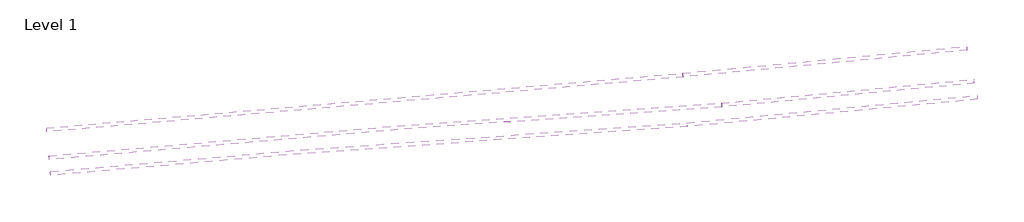
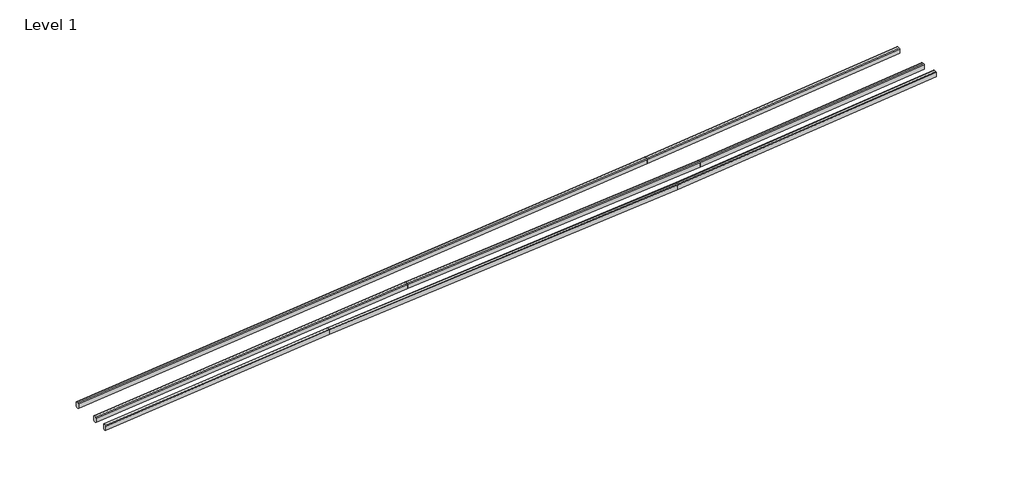
# One storey: 5 railings.
"""IFC4 building model written with IfcOpenShell, lengths in millimetres."""

import ifcopenshell
import ifcopenshell.guid

model = None  # the IFC model being written
_history = None  # IfcOwnerHistory: only IFC2X3 demands one
_inside = {}  # id of a spatial element -> (the spatial element, [elements in it])
_under = {}  # id of a project, library or spatial element -> (it, [spatial elements below it])
_declared = {}  # id of a project -> (the project, [libraries it declares])
_typed = {}  # id of a type object -> (the type object, [elements of that type])
_made_of = {}  # id of a material, layer set ... -> (it, [elements and type objects made of it])


def new_model(schema):
    """Start an empty IFC model of exactly this schema.

    Asked for "IFC4X3", IfcOpenShell would pick the latest addendum, in which some entities
    have other attributes; the version numbers below select the first issue.
    IFC2X3 requires an IfcOwnerHistory on every rooted entity: one is made here for all.
    """
    global model, _history
    if schema == "IFC4X3":
        model = ifcopenshell.file(schema_version=(4, 3, 0, 0))
    else:
        model = ifcopenshell.file(schema=schema)
    _inside.clear()
    _under.clear()
    _declared.clear()
    _typed.clear()
    _made_of.clear()
    _history = None
    if model.schema == "IFC2X3":
        org = make("IfcOrganization", Name="unknown")
        user = make(
            "IfcPersonAndOrganization",
            ThePerson=make("IfcPerson", FamilyName="unknown"),
            TheOrganization=org,
        )
        app = make(
            "IfcApplication",
            ApplicationDeveloper=org,
            Version="unknown",
            ApplicationFullName="unknown",
            ApplicationIdentifier="unknown",
        )
        _history = make(
            "IfcOwnerHistory",
            OwningUser=user,
            OwningApplication=app,
            ChangeAction="ADDED",
            CreationDate=0,
        )
    return model


def make(cls, **values):
    """One entity of the class cls with the attributes given. An attribute that is None is left unset."""
    return model.create_entity(
        cls, **{name: value for name, value in values.items() if value is not None}
    )


def rooted(cls, **values):
    """An entity with a GlobalId (a new one), such as an element, a storey or a relation."""
    return make(cls, GlobalId=ifcopenshell.guid.new(), OwnerHistory=_history, **values)


def si_unit(unit_type, name, prefix=None):
    """IfcSIUnit, for example si_unit("LENGTHUNIT", "METRE", prefix="MILLI")."""
    return make("IfcSIUnit", UnitType=unit_type, Prefix=prefix, Name=name)


def assignment(units):
    """IfcUnitAssignment: the units of a project."""
    return None if units is None else make("IfcUnitAssignment", Units=units)


def point(xyz):
    """IfcCartesianPoint."""
    return None if xyz is None else make("IfcCartesianPoint", Coordinates=xyz)


def direction(xyz):
    """IfcDirection."""
    return None if xyz is None else make("IfcDirection", DirectionRatios=xyz)


def frame(location, z_axis=None, x_axis=None):
    """IfcAxis2Placement3D, a coordinate frame: its origin and axes. An axis left out is left unset."""
    return make(
        "IfcAxis2Placement3D",
        Location=point(location),
        Axis=direction(z_axis),
        RefDirection=direction(x_axis),
    )


def origin():
    """The frame at (0, 0, 0) with its axes left unset."""
    return frame((0.0, 0.0, 0.0))


def place(relative_to, where):
    """IfcLocalPlacement: puts the frame where relative to a parent placement (None: the world)."""
    return make(
        "IfcLocalPlacement", PlacementRelTo=relative_to, RelativePlacement=where
    )


def context(
    kind, dimensions, precision=None, world=None, true_north=None, identifier=None
):
    """IfcGeometricRepresentationContext, for example the 3D "Model" context."""
    return make(
        "IfcGeometricRepresentationContext",
        ContextIdentifier=identifier,
        ContextType=kind,
        CoordinateSpaceDimension=dimensions,
        Precision=precision,
        WorldCoordinateSystem=world,
        TrueNorth=true_north,
    )


def project(units=None, contexts=None):
    """IfcProject with its units and contexts."""
    return rooted(
        "IfcProject",
        Name="project",
        RepresentationContexts=contexts,
        UnitsInContext=assignment(units),
    )


def spatial(cls, under=None, at=None, **own):
    """A site, building, storey or space (cls), placed at a placement, below another one or the project."""
    s = rooted(cls, ObjectPlacement=at, **own)
    if under is not None:
        _under.setdefault(under.id(), (under, []))[1].append(s)
    return s


def ellipse_curve(where, semi_axis1, semi_axis2):
    """IfcEllipse in the frame where."""
    return make(
        "IfcEllipse", Position=where, SemiAxis1=semi_axis1, SemiAxis2=semi_axis2
    )


def shape(context_of_items, identifier, shape_type, items):
    """IfcShapeRepresentation: the items that make up one representation, for example the "Body"."""
    return make(
        "IfcShapeRepresentation",
        ContextOfItems=context_of_items,
        RepresentationIdentifier=identifier,
        RepresentationType=shape_type,
        Items=items,
    )


def source(mapping_origin, context_of_items, identifier, shape_type, items):
    """IfcRepresentationMap: a shape defined once, which mapped items show again and again."""
    return make(
        "IfcRepresentationMap",
        MappingOrigin=mapping_origin,
        MappedRepresentation=shape(context_of_items, identifier, shape_type, items),
    )


def transform(
    local_origin,
    x_axis=None,
    y_axis=None,
    z_axis=None,
    scale=None,
    scale2=None,
    scale3=None,
    uniform=True,
):
    """IfcCartesianTransformationOperator3D, or its non-uniform kind. x_axis, y_axis, z_axis: its Axis1, 2, 3."""
    if uniform:
        return make(
            "IfcCartesianTransformationOperator3D",
            Axis1=direction(x_axis),
            Axis2=direction(y_axis),
            LocalOrigin=point(local_origin),
            Scale=scale,
            Axis3=direction(z_axis),
        )
    return make(
        "IfcCartesianTransformationOperator3DnonUniform",
        Axis1=direction(x_axis),
        Axis2=direction(y_axis),
        LocalOrigin=point(local_origin),
        Scale=scale,
        Axis3=direction(z_axis),
        Scale2=scale2,
        Scale3=scale3,
    )


def mapped(mapping_source, mapping_target):
    """IfcMappedItem: shows the shape of a source again, moved by a transform."""
    return make(
        "IfcMappedItem", MappingSource=mapping_source, MappingTarget=mapping_target
    )


def made_of(thing, what):
    """Note that an element or type object is made of a material, layer set ...; save() writes the relation."""
    if what is not None:
        _made_of.setdefault(what.id(), (what, []))[1].append(thing)
    return thing


def element(
    cls,
    number,
    at=None,
    inside=None,
    cuts=None,
    type_object=None,
    material=None,
    context=None,
    identifier="Body",
    shape_type=None,
    held_by="IfcProductDefinitionShape",
    body=None,
    shapes=None,
    **own,
):
    """One element of the class cls, such as IfcWall. Its Tag is "e" and its number.

    at: its placement. inside: the storey or other place that contains it. cuts: it is an
    opening in that element (IfcRelVoidsElement). A single representation is given by context,
    identifier, shape_type and body (its items); several are given by shapes. held_by: the class
    of the entity that holds the representations. save() writes the other relations.
    """
    e = rooted(cls, Tag="e%d" % number, ObjectPlacement=at, **own)
    if body is not None:
        shapes = [shape(context, identifier, shape_type, body)]
    if shapes is not None:
        e.Representation = make(held_by, Representations=shapes)
    if inside is not None:
        _inside.setdefault(inside.id(), (inside, []))[1].append(e)
    if cuts is not None:
        rooted(
            "IfcRelVoidsElement", RelatingBuildingElement=cuts, RelatedOpeningElement=e
        )
    if type_object is not None:
        _typed.setdefault(type_object.id(), (type_object, []))[1].append(e)
    return made_of(e, material)


def aggregate(whole, parts):
    """IfcRelAggregates: a whole, such as a stair, and the parts it consists of."""
    return rooted("IfcRelAggregates", RelatingObject=whole, RelatedObjects=parts)


def save(model, path):
    """Write the relations noted so far, then the file.

    IfcRelAggregates (storeys below a building ...), IfcRelContainedInSpatialStructure (elements
    in a storey), IfcRelDefinesByType, IfcRelAssociatesMaterial and IfcRelDeclares: one each for
    every whole, place, type object, material and project.
    """
    for whole, parts in _under.values():
        aggregate(whole, parts)
    for where, things in _inside.values():
        rooted(
            "IfcRelContainedInSpatialStructure",
            RelatedElements=things,
            RelatingStructure=where,
        )
    for kind, things in _typed.values():
        rooted("IfcRelDefinesByType", RelatedObjects=things, RelatingType=kind)
    for what, things in _made_of.values():
        rooted("IfcRelAssociatesMaterial", RelatedObjects=things, RelatingMaterial=what)
    for by, libraries in _declared.values():
        rooted("IfcRelDeclares", RelatingContext=by, RelatedDefinitions=libraries)
    model.write(path)


def plane_surface(at):
    """IfcPlane: the flat surface through the origin of the frame at, square to its z axis."""
    return make("IfcPlane", Position=at)


def cylinder_surface(at, radius):
    """IfcCylindricalSurface: all points at the distance radius from the z axis of the frame at."""
    return make("IfcCylindricalSurface", Position=at, Radius=radius)


def advanced_brep(points, edges, surfaces, faces):
    """IfcAdvancedBrep: a solid bounded by faces that lie on surfaces and meet in shared edges.

    An edge is (start, end): straight between two places in points (the first is 0);
    or (start, end, curve); or (start, end, curve, False) where it runs against its curve.
    A face is (place in surfaces, loops), or (place, loops, False) where it looks against
    its surface's normal. A loop lists edges by number (the first is 1), with a minus sign
    where the edge is run from its end to its start. The first loop is the outer one.
    """
    corners = [point(p) for p in points]
    vertices = [make("IfcVertexPoint", VertexGeometry=c) for c in corners]
    made = []
    for start, end, *more in edges:
        made.append(
            make(
                "IfcEdgeCurve",
                EdgeStart=vertices[start],
                EdgeEnd=vertices[end],
                EdgeGeometry=more[0] if more else make("IfcPolyline", Points=[corners[start], corners[end]]),
                SameSense=more[1] if len(more) > 1 else True,
            )
        )
    hull = []
    for where, loops, *sense in faces:
        bounds = []
        for j, loop in enumerate(loops):
            ring = [make("IfcOrientedEdge", EdgeElement=made[abs(k) - 1], Orientation=k > 0) for k in loop]
            bounds.append(
                make(
                    "IfcFaceOuterBound" if j == 0 else "IfcFaceBound",
                    Bound=make("IfcEdgeLoop", EdgeList=ring),
                    Orientation=True,
                )
            )
        hull.append(make("IfcAdvancedFace", Bounds=bounds, FaceSurface=surfaces[where], SameSense=sense[0] if sense else True))
    return make("IfcAdvancedBrep", Outer=make("IfcClosedShell", CfsFaces=hull))


def railing_e449f2d4(model_context):
    return source(origin(), model_context, "Body", "AdvancedBrep", [
        advanced_brep(
        [(1628.9393359, -4237.4017013, 12399.9999999), (1603.1368031, -3938.5133789, 12399.9999999), (1596.6861699, -3863.7912983, 12324.9667086), (1596.6861699, -3863.7912983, 11749.7114752), (1612.1676895, -4043.1242917, 11649.6670868), (1619.9084494, -4132.7907885, 11649.6670868), (1635.3899691, -4312.1237819, 11749.7114752), (1635.3899691, -4312.1237819, 12324.9667086), (31569.0500647, -1652.7216357, 13295.49617), (31574.3206371, -1727.545589, 13220.4275836), (31574.3206371, -1727.545589, 12645.1723502), (31561.6712632, -1547.9681011, 12545.2126701), (31555.3465763, -1458.1793571, 12545.2550242), (31542.6972024, -1278.6018692, 12645.3841209), (31542.6972024, -1278.6018692, 13220.6393543), (31547.9677748, -1353.4258225, 13295.6373505)],
        [
            (0, 1),
            (1, 2, ellipse_curve(frame((1603.1368031, -3938.5133789, 12324.9667086), z_axis=(-0.9962944081917979, -0.08600844264230818, 0.0), x_axis=(0.0, 0.0, -1.0)), 75.0332913, 75.0)),
            (2, 3),
            (3, 4),
            (4, 5),
            (5, 6),
            (6, 7),
            (7, 0, ellipse_curve(frame((1628.9393359, -4237.4017013, 12324.9667086), z_axis=(-0.9962944081917979, -0.08600844264230818, 0.0), x_axis=(0.0, 0.0, -1.0)), 75.0332913, 75.0)),
            (8, 9, ellipse_curve(frame((31569.0500647, -1652.7216357, 13220.4628787), z_axis=(0.9975283225218303, 0.07026553754710306, 0.0), x_axis=(0.032900607666233796, -0.4670751711426475, -0.8836053047131729)), 75.0426477, 75.0)),
            (9, 10),
            (10, 11),
            (11, 12),
            (12, 13),
            (13, 14),
            (14, 15, ellipse_curve(frame((31547.9677748, -1353.4258225, 13220.6040592), z_axis=(0.9975283225218303, 0.07026553754710306, 0.0), x_axis=(0.032900607666233796, -0.4670751711426475, -0.8836053047131729)), 75.0426477, 75.0)),
            (15, 8),
            (0, 8),
            (15, 1),
            (14, 2),
            (13, 3),
            (12, 4),
            (11, 5),
            (10, 6),
            (9, 7),
        ],
        [
            plane_surface(frame((1616.7044, -4095.6761013, 12399.9999999), z_axis=(-0.9962944081917979, -0.08600844264230818, 0.0), x_axis=(0.08600844264230818, -0.9962944081917979, 0.0))),
            plane_surface(frame((31559.0533537, -1510.8028135, 13295.5631144), z_axis=(0.9975283225218303, 0.07026553754710306, 0.0), x_axis=(0.07026553754710306, -0.9975283225218303, 0.0))),
            plane_surface(frame((1628.9393359, -4237.4017013, 12399.9999999), z_axis=(-0.02967515407501967, -0.0025618067974457984, 0.9995563127590945), x_axis=(0.9958523650746975, 0.08597028179369764, 0.029785527080170928))),
            cylinder_surface(frame((1605.3624396, -3938.3212434, 12325.0332765), z_axis=(-0.9958523650746977, -0.08597028179369763, -0.02978552708017097), x_axis=(0.08600844264230818, -0.9962944081917979, 0.0)), 75.0),
            plane_surface(frame((1596.6861699, -3863.7912983, 12324.9667086), z_axis=(-0.0860084426423082, 0.9962944081917982, 0.0), x_axis=(0.9958523650746977, 0.08597028179369763, 0.029785527080170904))),
            plane_surface(frame((1596.6861699, -3863.7912983, 11749.7114752), z_axis=(-0.015828640336211314, 0.48608275876312773, -0.8737694236915904), x_axis=(0.9958523650746975, 0.08597028179369764, 0.029785527080170977))),
            plane_surface(frame((1612.1676895, -4043.1242917, 11649.6670868), z_axis=(0.029675154075019698, 0.0025618067974458006, -0.9995563127590944), x_axis=(0.9958523650746975, 0.08597028179369763, 0.02978552708017096))),
            plane_surface(frame((1619.9084494, -4132.7907885, 11649.6670868), z_axis=(0.0677101440456241, -0.4816039146591136, -0.8737694236915927), x_axis=(0.9958523650746975, 0.08597028179369764, 0.02978552708017095))),
            plane_surface(frame((1635.3899691, -4312.1237819, 11749.7114752), z_axis=(0.0860084426423082, -0.996294408191798, 0.0), x_axis=(0.9958523650746975, 0.08597028179369763, 0.029785527080170935))),
            cylinder_surface(frame((1631.1649724, -4237.2095658, 12325.0332765), z_axis=(-0.9958523650746977, -0.08597028179369763, -0.02978552708017097), x_axis=(0.08600844264230818, -0.9962944081917979, 0.0)), 75.0),
        ],
        [
            (0, [[1, 2, 3, 4, 5, 6, 7, 8]]),
            (1, [[9, 10, 11, 12, 13, 14, 15, 16]]),
            (2, [[-1, 17, -16, 18]]),
            (3, [[-2, -18, -15, 19]]),
            (4, [[-3, -19, -14, 20]]),
            (5, [[-4, -20, -13, 21]]),
            (6, [[-5, -21, -12, 22]]),
            (7, [[-6, -22, -11, 23]]),
            (8, [[-7, -23, -10, 24]]),
            (9, [[-8, -24, -9, -17]]),
        ],
    ),
        advanced_brep(
        [(31569.0488183, -1652.7039412, 13295.5631144), (31547.969157, -1353.4454444, 13295.5631144), (31542.6992417, -1278.6308202, 13220.5301358), (31542.6992417, -1278.6308202, 12645.2772999), (31555.3470384, -1458.1859183, 12545.2333285), (31561.6709368, -1547.9634673, 12545.2333285), (31574.3187336, -1727.5185654, 12645.2772999), (31574.3187336, -1727.5185654, 13220.5301358), (77820.5235085, 1605.2333605, 14670.7081738), (77827.5741374, 1530.5441692, 14595.7281392), (77827.5741374, 1530.5441692, 14020.4753033), (77810.652628, 1709.7982284, 13920.3042662), (77802.1918733, 1799.4252581, 13920.2407334), (77785.2703639, 1978.6793173, 14020.1576392), (77785.2703639, 1978.6793173, 14595.410475), (77792.3209929, 1903.990126, 14670.4963977)],
        [
            (0, 1),
            (1, 2, ellipse_curve(frame((31547.969157, -1353.4454444, 13220.5301358), z_axis=(-0.9975283225218303, -0.07026553754710306, 0.0), x_axis=(0.0, 0.0, -1.0)), 75.0329786, 75.0)),
            (2, 3),
            (3, 4),
            (4, 5),
            (5, 6),
            (6, 7),
            (7, 0, ellipse_curve(frame((31569.0488183, -1652.7039412, 13220.5301358), z_axis=(-0.9975283225218303, -0.07026553754710306, 0.0), x_axis=(0.0, 0.0, -1.0)), 75.0329786, 75.0)),
            (8, 9, ellipse_curve(frame((77820.5235085, 1605.2333605, 14595.6751952), z_axis=(0.9955739185395555, 0.09398176803930945, 0.0), x_axis=(-0.05881266352654851, 0.6230182205380996, -0.7799931842564093)), 75.0542294, 75.0)),
            (9, 10),
            (10, 11),
            (11, 12),
            (12, 13),
            (13, 14),
            (14, 15, ellipse_curve(frame((77792.3209929, 1903.990126, 14595.4634191), z_axis=(0.9955739185395555, 0.09398176803930945, 0.0), x_axis=(-0.05881266352654851, 0.6230182205380996, -0.7799931842564093)), 75.0542294, 75.0)),
            (15, 8),
            (0, 8),
            (15, 1),
            (14, 2),
            (13, 3),
            (12, 4),
            (11, 5),
            (10, 6),
            (9, 7),
        ],
        [
            plane_surface(frame((31559.0533537, -1510.8028135, 13295.5631144), z_axis=(-0.9975283225218303, -0.07026553754710306, 0.0), x_axis=(0.07026553754710306, -0.9975283225218303, 0.0))),
            plane_surface(frame((77807.150559, 1746.8965794, 14670.6077547), z_axis=(0.9955739185395555, 0.09398176803930945, 0.0), x_axis=(0.09398176803930945, -0.9955739185395555, 0.0))),
            plane_surface(frame((31569.0488183, -1652.7039412, 13295.5631144), z_axis=(-0.029572121061367956, -0.0020830496095909632, 0.9995604786906372), x_axis=(0.997089887567389, 0.07023465434603725, 0.029645394916314054))),
            cylinder_surface(frame((31550.1870661, -1353.2892157, 13220.5960785), z_axis=(-0.9970898875673891, -0.07023465434603728, -0.029645394916314075), x_axis=(0.07026553754710306, -0.9975283225218303, 0.0)), 75.0),
            plane_surface(frame((31542.6992417, -1278.6308202, 13220.5301358), z_axis=(-0.07026553754710305, 0.9975283225218303, 0.0), x_axis=(0.997089887567389, 0.07023465434603726, 0.0296453949163141))),
            plane_surface(frame((31542.6992417, -1278.6308202, 12645.2772999), z_axis=(-0.008273276819073597, 0.4862634914559292, -0.8737730653709604), x_axis=(0.997089887567389, 0.07023465434603728, 0.0296453949163141))),
            plane_surface(frame((31555.3470384, -1458.1859183, 12545.2333285), z_axis=(0.029572121061367952, 0.0020830496095909632, -0.9995604786906372), x_axis=(0.997089887567389, 0.07023465434603728, 0.02964539491631405))),
            plane_surface(frame((31561.6709368, -1547.9634673, 12545.2333285), z_axis=(0.05997464641135769, -0.4826216655104329, -0.8737730653709627), x_axis=(0.997089887567389, 0.07023465434603728, 0.029645394916314054))),
            plane_surface(frame((31574.3187336, -1727.5185654, 12645.2772999), z_axis=(0.07026553754710306, -0.9975283225218303, 0.0), x_axis=(0.997089887567389, 0.07023465434603728, 0.029645394916314103))),
            cylinder_surface(frame((31571.2667273, -1652.5477125, 13220.5960785), z_axis=(-0.9970898875673891, -0.07023465434603728, -0.029645394916314075), x_axis=(0.07026553754710306, -0.9975283225218303, 0.0)), 75.0),
        ],
        [
            (0, [[1, 2, 3, 4, 5, 6, 7, 8]]),
            (1, [[9, 10, 11, 12, 13, 14, 15, 16]]),
            (2, [[-1, 17, -16, 18]]),
            (3, [[-2, -18, -15, 19]]),
            (4, [[-3, -19, -14, 20]]),
            (5, [[-4, -20, -13, 21]]),
            (6, [[-5, -21, -12, 22]]),
            (7, [[-6, -22, -11, 23]]),
            (8, [[-7, -23, -10, 24]]),
            (9, [[-8, -24, -9, -17]]),
        ],
    ),
        advanced_brep(
        [(77820.5197221, 1605.273471, 14670.6077547), (77792.3251917, 1903.9456466, 14670.6077547), (77785.2765591, 1978.6136905, 14595.5751356), (77785.2765591, 1978.6136905, 14020.3250564), (77802.1932773, 1799.4103851, 13920.2815643), (77810.6516365, 1709.8087325, 13920.2815643), (77827.5683547, 1530.6054271, 14020.3250564), (77827.5683547, 1530.6054271, 14595.5751356), (112565.1153277, 4885.1489921, 15699.9999999), (112572.1639603, 4810.4809482, 15624.9673809), (112572.1639603, 4810.4809482, 15049.7173016), (112555.2472421, 4989.6842535, 14949.6738096), (112546.7888829, 5079.2859062, 14949.6738096), (112529.8721647, 5258.4892115, 15049.7173016), (112529.8721647, 5258.4892115, 15624.9673809), (112536.9207973, 5183.8211676, 15699.9999999)],
        [
            (0, 1),
            (1, 2, ellipse_curve(frame((77792.3251917, 1903.9456466, 14595.5751356), z_axis=(-0.9955739185395555, -0.09398176803930945, 0.0), x_axis=(0.0, 0.0, -1.0)), 75.032619, 75.0)),
            (2, 3),
            (3, 4),
            (4, 5),
            (5, 6),
            (6, 7),
            (7, 0, ellipse_curve(frame((77820.5197221, 1605.273471, 14595.5751356), z_axis=(-0.9955739185395555, -0.09398176803930945, 0.0), x_axis=(0.0, 0.0, -1.0)), 75.032619, 75.0)),
            (8, 9, ellipse_curve(frame((112565.1153277, 4885.1489921, 15624.9673809), z_axis=(0.9955739185395555, 0.09398176803930945, 0.0), x_axis=(0.0, 0.0, -1.0)), 75.032619, 75.0)),
            (9, 10),
            (10, 11),
            (11, 12),
            (12, 13),
            (13, 14),
            (14, 15, ellipse_curve(frame((112536.9207973, 5183.8211676, 15624.9673809), z_axis=(0.9955739185395555, 0.09398176803930945, 0.0), x_axis=(0.0, 0.0, -1.0)), 75.032619, 75.0)),
            (15, 8),
            (0, 8),
            (15, 1),
            (14, 2),
            (13, 3),
            (12, 4),
            (11, 5),
            (10, 6),
            (9, 7),
        ],
        [
            plane_surface(frame((77807.150559, 1746.8965794, 14670.6077547), z_axis=(-0.9955739185395555, -0.09398176803930945, 0.0), x_axis=(0.09398176803930945, -0.9955739185395555, 0.0))),
            plane_surface(frame((112551.7461646, 5026.7721005, 15699.9999999), z_axis=(0.9955739185395555, 0.09398176803930945, 0.0), x_axis=(0.09398176803930945, -0.9955739185395555, 0.0))),
            plane_surface(frame((77820.5197221, 1605.273471, 14670.6077547), z_axis=(-0.029352953722476163, -0.0027709067469958385, 0.9995652685960861), x_axis=(0.9951411112922487, 0.09394091121334741, 0.029483449873350547))),
            cylinder_surface(frame((77794.5266632, 1904.1534646, 14595.6403595), z_axis=(-0.9951411112922487, -0.09394091121334741, -0.029483449873350547), x_axis=(0.09398176803930945, -0.9955739185395555, 0.0)), 75.0),
            plane_surface(frame((77785.2765591, 1978.6136905, 14595.5751356), z_axis=(-0.09398176803930948, 0.9955739185395556, 0.0), x_axis=(0.9951411112922487, 0.09394091121334743, 0.029483449873350547))),
            plane_surface(frame((77785.2765591, 1978.6136905, 14020.3250564), z_axis=(-0.019982483235796746, 0.48591564429886486, -0.8737772525016604), x_axis=(0.9951411112922487, 0.09394091121334743, 0.029483449873350547))),
            plane_surface(frame((77802.1932773, 1799.4103851, 13920.2815643), z_axis=(0.0293529537224761, 0.002770906746995833, -0.9995652685960861), x_axis=(0.9951411112922487, 0.09394091121334741, 0.029483449873350484))),
            plane_surface(frame((77810.6516365, 1709.8087325, 13920.2815643), z_axis=(0.07130067938011972, -0.4810712277101792, -0.8737772525016627), x_axis=(0.9951411112922487, 0.0939409112133474, 0.029483449873350484))),
            plane_surface(frame((77827.5683547, 1530.6054271, 14020.3250564), z_axis=(0.09398176803930948, -0.9955739185395556, 0.0), x_axis=(0.9951411112922487, 0.09394091121334743, 0.029483449873350547))),
            cylinder_surface(frame((77822.7211936, 1605.481289, 14595.6403595), z_axis=(-0.9951411112922487, -0.09394091121334741, -0.029483449873350547), x_axis=(0.09398176803930945, -0.9955739185395555, 0.0)), 75.0),
        ],
        [
            (0, [[1, 2, 3, 4, 5, 6, 7, 8]]),
            (1, [[9, 10, 11, 12, 13, 14, 15, 16]]),
            (2, [[-1, 17, -16, 18]]),
            (3, [[-2, -18, -15, 19]]),
            (4, [[-3, -19, -14, 20]]),
            (5, [[-4, -20, -13, 21]]),
            (6, [[-5, -21, -12, 22]]),
            (7, [[-6, -22, -11, 23]]),
            (8, [[-7, -23, -10, 24]]),
            (9, [[-8, -24, -9, -17]]),
        ],
    ),
    ])


def railing_8dd5e835(model_context):
    return source(origin(), model_context, "Body", "AdvancedBrep", [
        advanced_brep(
        [(111292.601595, 11069.687364, 15699.9738145), (111320.7961062, 10771.0151866, 15699.9738145), (111327.844734, 10696.3471423, 15624.9407652), (111327.844734, 10696.3471423, 15049.6873874), (111310.9280273, 10875.5504487, 14949.6433217), (111302.4696739, 10965.1521019, 14949.6433217), (111285.5529672, 11144.3554083, 15049.6873874), (111285.5529672, 11144.3554083, 15624.9407652), (77301.514087, 7860.9449004, 14686.2848799), (77294.4654592, 7935.6129448, 14611.2518306), (77294.4654592, 7935.6129448, 14035.9984528), (77311.3821659, 7756.4096384, 13935.9543871), (77319.8405193, 7666.8079852, 13935.9543871), (77336.757226, 7487.6046787, 14035.9984528), (77336.757226, 7487.6046787, 14611.2518306), (77329.7085982, 7562.2727231, 14686.2848799)],
        [
            (0, 1),
            (1, 2, ellipse_curve(frame((111320.7961062, 10771.0151866, 15624.9407652), z_axis=(0.9955739245776714, 0.09398170407591669, 0.0), x_axis=(0.0, 0.0, 1.0)), 75.0330493, 75.0)),
            (2, 3),
            (3, 4),
            (4, 5),
            (5, 6),
            (6, 7),
            (7, 0, ellipse_curve(frame((111292.601595, 11069.687364, 15624.9407652), z_axis=(0.9955739245776714, 0.09398170407591669, 0.0), x_axis=(0.0, 0.0, 1.0)), 75.0330493, 75.0)),
            (8, 9, ellipse_curve(frame((77301.514087, 7860.9449004, 14611.2518306), z_axis=(-0.9955739245776714, -0.09398170407591669, 0.0), x_axis=(0.0, 0.0, 1.0)), 75.0330493, 75.0)),
            (9, 10),
            (10, 11),
            (11, 12),
            (12, 13),
            (13, 14),
            (14, 15, ellipse_curve(frame((77329.7085982, 7562.2727231, 14611.2518306), z_axis=(-0.9955739245776714, -0.09398170407591669, 0.0), x_axis=(0.0, 0.0, 1.0)), 75.0330493, 75.0)),
            (15, 8),
            (0, 8),
            (15, 1),
            (14, 2),
            (13, 3),
            (12, 4),
            (11, 5),
            (10, 6),
            (9, 7),
        ],
        [
            plane_surface(frame((111305.970749, 10928.0642547, 15699.9738145), z_axis=(0.9955739245776714, 0.09398170407591669, 0.0), x_axis=(0.09398170407591669, -0.9955739245776714, 0.0))),
            plane_surface(frame((77314.883241, 7719.3217912, 14686.2848799), z_axis=(-0.9955739245776714, -0.09398170407591669, 0.0), x_axis=(0.09398170407591669, -0.9955739245776714, 0.0))),
            plane_surface(frame((111292.601595, 11069.687364, 15699.9738145), z_axis=(-0.029545771862409347, -0.002789106784858212, 0.9995595371204246), x_axis=(-0.9951354112200216, -0.09394030862391202, -0.02967712505622608))),
            cylinder_surface(frame((111323.0120391, 10771.2243696, 15625.0068492), z_axis=(0.9951354112200216, 0.09394030862391198, 0.029677125056226075), x_axis=(-0.09398170407591667, 0.9955739245776714, 0.0)), 75.0),
            plane_surface(frame((111327.844734, 10696.3471423, 15624.9407652), z_axis=(0.0939817040759167, -0.9955739245776715, 0.0), x_axis=(-0.9951354112200216, -0.09394030862391199, -0.02967712505622607))),
            plane_surface(frame((111327.844734, 10696.3471423, 15049.6873874), z_axis=(0.07146920169674134, -0.4810553209470286, -0.873772242290508), x_axis=(-0.9951354112200216, -0.09394030862391196, -0.02967712505622607))),
            plane_surface(frame((111310.9280273, 10875.5504487, 14949.6433217), z_axis=(0.029545771862409347, 0.002789106784858212, -0.9995595371204246), x_axis=(-0.9951354112200216, -0.09394030862391199, -0.02967712505622608))),
            plane_surface(frame((111302.4696739, 10965.1521019, 14949.6433217), z_axis=(-0.019813898792435915, 0.48593155692675205, -0.8737722422905102), x_axis=(-0.9951354112200216, -0.09394030862391199, -0.02967712505622607))),
            plane_surface(frame((111285.5529672, 11144.3554083, 15049.6873874), z_axis=(-0.09398170407591674, 0.9955739245776716, 0.0), x_axis=(-0.9951354112200216, -0.09394030862391202, -0.02967712505622608))),
            cylinder_surface(frame((111294.8175279, 11069.896547, 15625.0068492), z_axis=(0.9951354112200216, 0.09394030862391198, 0.029677125056226075), x_axis=(-0.09398170407591667, 0.9955739245776714, 0.0)), 75.0),
        ],
        [
            (0, [[1, 2, 3, 4, 5, 6, 7, 8]]),
            (1, [[9, 10, 11, 12, 13, 14, 15, 16]]),
            (2, [[-1, 17, -16, 18]]),
            (3, [[-2, -18, -15, 19]]),
            (4, [[-3, -19, -14, 20]]),
            (5, [[-4, -20, -13, 21]]),
            (6, [[-5, -21, -12, 22]]),
            (7, [[-6, -22, -11, 23]]),
            (8, [[-7, -23, -10, 24]]),
            (9, [[-8, -24, -9, -17]]),
        ],
    ),
    ])


def railing_a2515636(model_context):
    return source(origin(), model_context, "Body", "AdvancedBrep", [
        advanced_brep(
        [(77303.3764068, 7853.3344118, 14686.2672206), (77329.1789396, 7554.4460893, 14686.2672206), (77335.6295728, 7479.7240087, 14611.2336765), (77335.6295728, 7479.7240087, 14035.9765052), (77320.1480531, 7659.0570022, 13935.9317798), (77312.4072932, 7748.7234989, 13935.9317798), (77296.9257736, 7928.0564924, 14035.9765052), (77296.9257736, 7928.0564924, 14611.2336765), (1152.6854489, 1279.3716538, 12399.9999999), (1146.2348157, 1354.0937344, 12324.9664559), (1146.2348157, 1354.0937344, 11749.7092846), (1161.7163353, 1174.760741, 11649.6645592), (1169.4570952, 1085.0942442, 11649.6645592), (1184.9386149, 905.7612508, 11749.7092846), (1184.9386149, 905.7612508, 12324.9664559), (1178.4879817, 980.4833314, 12399.9999999)],
        [
            (0, 1),
            (1, 2, ellipse_curve(frame((77329.1789396, 7554.4460893, 14611.2336765), z_axis=(0.996294408191796, 0.08600844264233003, 0.0), x_axis=(0.0, 0.0, 1.0)), 75.0335441, 75.0)),
            (2, 3),
            (3, 4),
            (4, 5),
            (5, 6),
            (6, 7),
            (7, 0, ellipse_curve(frame((77303.3764068, 7853.3344118, 14611.2336765), z_axis=(0.996294408191796, 0.08600844264233003, 0.0), x_axis=(0.0, 0.0, 1.0)), 75.0335441, 75.0)),
            (8, 9, ellipse_curve(frame((1152.6854489, 1279.3716538, 12324.9664559), z_axis=(-0.996294408191796, -0.08600844264233003, 0.0), x_axis=(0.0, 0.0, 1.0)), 75.0335441, 75.0)),
            (9, 10),
            (10, 11),
            (11, 12),
            (12, 13),
            (13, 14),
            (14, 15, ellipse_curve(frame((1178.4879817, 980.4833314, 12324.9664559), z_axis=(-0.996294408191796, -0.08600844264233003, 0.0), x_axis=(0.0, 0.0, 1.0)), 75.0335441, 75.0)),
            (15, 8),
            (0, 8),
            (15, 1),
            (14, 2),
            (13, 3),
            (12, 4),
            (11, 5),
            (10, 6),
            (9, 7),
        ],
        [
            plane_surface(frame((77315.6113426, 7711.6088118, 14686.2672206), z_axis=(0.996294408191796, 0.08600844264233003, 0.0), x_axis=(0.08600844264233003, -0.996294408191796, 0.0))),
            plane_surface(frame((1164.9203847, 1137.6460538, 12399.9999999), z_axis=(-0.996294408191796, -0.08600844264233003, 0.0), x_axis=(0.08600844264233003, -0.996294408191796, 0.0))),
            plane_surface(frame((77303.3764068, 7853.3344118, 14686.2672206), z_axis=(-0.029787518860480016, -0.0025715070628758497, 0.9995529456069661), x_axis=(-0.9958490103998586, -0.08596999219020873, -0.029898309792325602))),
            cylinder_surface(frame((77331.4130035, 7554.6389524, 14611.3007496), z_axis=(0.9958490103998587, 0.08596999219020875, 0.029898309792325606), x_axis=(-0.08600844264233001, 0.996294408191796, 0.0)), 75.0),
            plane_surface(frame((77335.6295728, 7479.7240087, 14611.2336765), z_axis=(0.08600844264233001, -0.9962944081917963, 0.0), x_axis=(-0.9958490103998586, -0.08596999219020873, -0.029898309792325602))),
            plane_surface(frame((77335.6295728, 7479.7240087, 14035.9765052), z_axis=(0.06780836854042498, -0.48159543510151115, -0.8737664802710574), x_axis=(-0.9958490103998586, -0.08596999219020873, -0.029898309792325602))),
            plane_surface(frame((77320.1480531, 7659.0570022, 13935.9317798), z_axis=(0.029787518860480016, 0.0025715070628758497, -0.9995529456069661), x_axis=(-0.9958490103998586, -0.08596999219020873, -0.029898309792325602))),
            plane_surface(frame((77312.4072932, 7748.7234989, 13935.9317798), z_axis=(-0.01573041584143151, 0.48609123832072865, -0.8737664802710599), x_axis=(-0.9958490103998586, -0.08596999219020873, -0.029898309792325602))),
            plane_surface(frame((77296.9257736, 7928.0564924, 14035.9765052), z_axis=(-0.08600844264233001, 0.9962944081917963, 0.0), x_axis=(-0.9958490103998586, -0.08596999219020873, -0.029898309792325602))),
            cylinder_surface(frame((77305.6104707, 7853.5272748, 14611.3007496), z_axis=(0.9958490103998587, 0.08596999219020875, 0.029898309792325606), x_axis=(-0.08600844264233001, 0.996294408191796, 0.0)), 75.0),
        ],
        [
            (0, [[1, 2, 3, 4, 5, 6, 7, 8]]),
            (1, [[9, 10, 11, 12, 13, 14, 15, 16]]),
            (2, [[-1, 17, -16, 18]]),
            (3, [[-2, -18, -15, 19]]),
            (4, [[-3, -19, -14, 20]]),
            (5, [[-4, -20, -13, 21]]),
            (6, [[-5, -21, -12, 22]]),
            (7, [[-6, -22, -11, 23]]),
            (8, [[-7, -23, -10, 24]]),
            (9, [[-8, -24, -9, -17]]),
        ],
    ),
    ])


def railing_1b6ea8a9(model_context):
    return source(origin(), model_context, "Body", "AdvancedBrep", [
        advanced_brep(
        [(81967.7011933, 4256.2407694, 14804.7295962), (81988.6281354, 3956.9715543, 14804.7295962), (81993.859871, 3882.1542505, 14729.6965589), (81993.859871, 3882.1542505, 14154.4432731), (81981.3037057, 4061.7157796, 14054.3992233), (81975.0256231, 4151.4965441, 14054.3992233), (81962.4694578, 4331.0580732, 14154.4432731), (81962.4694578, 4331.0580732, 14729.6965589), (43160.1461254, 1542.5521642, 13649.9213374), (43153.694635, 1617.2841744, 13574.8520035), (43153.694635, 1617.2841744, 12999.5987176), (43169.178212, 1437.9273499, 12899.6417798), (43176.9200005, 1348.2489376, 12899.6853357), (43192.4035774, 1168.8921132, 12999.8164973), (43192.4035774, 1168.8921132, 13575.0697832), (43185.952087, 1243.6241234, 13650.0665239)],
        [
            (0, 1),
            (1, 2, ellipse_curve(frame((81988.6281354, 3956.9715543, 14729.6965589), z_axis=(0.9975640502598243, 0.06975647374412522, 0.0), x_axis=(0.0, 0.0, 0.9999999999999999)), 75.0330373, 75.0)),
            (2, 3),
            (3, 4),
            (4, 5),
            (5, 6),
            (6, 7),
            (7, 0, ellipse_curve(frame((81967.7011933, 4256.2407694, 14729.6965589), z_axis=(0.9975640502598243, 0.06975647374412522, 0.0), x_axis=(0.0, 0.0, 0.9999999999999999)), 75.0330373, 75.0)),
            (8, 9, ellipse_curve(frame((43160.1461254, 1542.5521642, 13574.8883001), z_axis=(-0.996294408191796, -0.08600844264233001, 0.0), x_axis=(0.04139895301323189, -0.4795522872516319, 0.8765362117340828)), 75.0430082, 75.0)),
            (9, 10),
            (10, 11),
            (11, 12),
            (12, 13),
            (13, 14),
            (14, 15, ellipse_curve(frame((43185.952087, 1243.6241234, 13575.0334866), z_axis=(-0.996294408191796, -0.08600844264233001, 0.0), x_axis=(0.04139895301323189, -0.4795522872516319, 0.8765362117340828)), 75.0430082, 75.0)),
            (15, 8),
            (0, 8),
            (15, 1),
            (14, 2),
            (13, 3),
            (12, 4),
            (11, 5),
            (10, 6),
            (9, 7),
        ],
        [
            plane_surface(frame((81977.6242422, 4114.3345593, 14804.7295962), z_axis=(0.9975640502598243, 0.06975647374412522, 0.0), x_axis=(0.06975647374412522, -0.9975640502598243, 0.0))),
            plane_surface(frame((43172.3826871, 1400.8077307, 13649.9901813), z_axis=(-0.996294408191796, -0.08600844264233001, 0.0), x_axis=(0.08600844264233001, -0.996294408191796, 0.0))),
            plane_surface(frame((81967.7011933, 4256.2407694, 14804.7295962), z_axis=(-0.02959946865753316, -0.0020697964784431497, 0.9995596967653957), x_axis=(-0.9971248195817698, -0.06972575974310108, -0.029671747543251702))),
            cylinder_surface(frame((81990.8480956, 3957.126789, 14729.762619), z_axis=(0.9971248195817699, 0.06972575974310109, 0.02967174754325169), x_axis=(-0.06975647374412522, 0.9975640502598243, 0.0)), 75.0),
            plane_surface(frame((81993.859871, 3882.1542505, 14729.6965589), z_axis=(0.06975647374412519, -0.9975640502598243, 0.0), x_axis=(-0.9971248195817698, -0.06972575974310105, -0.029671747543251643))),
            plane_surface(frame((81993.859871, 3882.1542505, 14154.4432731), z_axis=(0.05975132927409506, -0.4826506017548649, -0.8737723818453211), x_axis=(-0.9971248195817698, -0.06972575974310105, -0.0296717475432517))),
            plane_surface(frame((81981.3037057, 4061.7157796, 14054.3992233), z_axis=(0.029599468657533178, 0.0020697964784431506, -0.9995596967653957), x_axis=(-0.9971248195817698, -0.06972575974310109, -0.02967174754325172))),
            plane_surface(frame((81975.0256231, 4151.4965441, 14054.3992233), z_axis=(-0.008002147481465976, 0.4862692570583045, -0.8737723818453234), x_axis=(-0.9971248195817698, -0.0697257597431011, -0.029671747543251675))),
            plane_surface(frame((81962.4694578, 4331.0580732, 14154.4432731), z_axis=(-0.06975647374412519, 0.9975640502598243, 0.0), x_axis=(-0.9971248195817698, -0.06972575974310105, -0.02967174754325167))),
            cylinder_surface(frame((81969.9211535, 4256.3960041, 14729.762619), z_axis=(0.9971248195817699, 0.06972575974310109, 0.02967174754325169), x_axis=(-0.06975647374412522, 0.9975640502598243, 0.0)), 75.0),
        ],
        [
            (0, [[1, 2, 3, 4, 5, 6, 7, 8]]),
            (1, [[9, 10, 11, 12, 13, 14, 15, 16]]),
            (2, [[-1, 17, -16, 18]]),
            (3, [[-2, -18, -15, 19]]),
            (4, [[-3, -19, -14, 20]]),
            (5, [[-4, -20, -13, 21]]),
            (6, [[-5, -21, -12, 22]]),
            (7, [[-6, -22, -11, 23]]),
            (8, [[-7, -23, -10, 24]]),
            (9, [[-8, -24, -9, -17]]),
        ],
    ),
        advanced_brep(
        [(43160.1477513, 1542.5333307, 13649.9901813), (43185.9502841, 1243.6450082, 13649.9901813), (43192.4009173, 1168.9229276, 13574.9567733), (43192.4009173, 1168.9229276, 12999.7006457), (43176.9193976, 1348.2559211, 12899.6561018), (43169.1786377, 1437.9224178, 12899.6561018), (43153.6971181, 1617.2554113, 12999.7006457), (43153.6971181, 1617.2554113, 13574.9567733), (1440.8833904, -2059.0215173, 12399.9999999), (1434.4327572, -1984.2994367, 12324.966592), (1434.4327572, -1984.2994367, 11749.7104644), (1449.9142769, -2163.6324302, 11649.6659204), (1457.6550367, -2253.2989269, 11649.6659204), (1473.1365564, -2432.6319204, 11749.7104644), (1473.1365564, -2432.6319204, 12324.966592), (1466.6859232, -2357.9098398, 12399.9999999)],
        [
            (0, 1),
            (1, 2, ellipse_curve(frame((43185.9502841, 1243.6450082, 13574.9567733), z_axis=(0.996294408191796, 0.08600844264233001, 0.0), x_axis=(0.0, 0.0, 0.9999999999999999)), 75.033408, 75.0)),
            (2, 3),
            (3, 4),
            (4, 5),
            (5, 6),
            (6, 7),
            (7, 0, ellipse_curve(frame((43160.1477513, 1542.5333307, 13574.9567733), z_axis=(0.996294408191796, 0.08600844264233001, 0.0), x_axis=(0.0, 0.0, 0.9999999999999999)), 75.033408, 75.0)),
            (8, 9, ellipse_curve(frame((1440.8833904, -2059.0215173, 12324.966592), z_axis=(-0.996294408191796, -0.08600844264233001, 0.0), x_axis=(0.0, 0.0, 0.9999999999999999)), 75.033408, 75.0)),
            (9, 10),
            (10, 11),
            (11, 12),
            (12, 13),
            (13, 14),
            (14, 15, ellipse_curve(frame((1466.6859232, -2357.9098398, 12324.966592), z_axis=(-0.996294408191796, -0.08600844264233001, 0.0), x_axis=(0.0, 0.0, 0.9999999999999999)), 75.033408, 75.0)),
            (15, 8),
            (0, 8),
            (15, 1),
            (14, 2),
            (13, 3),
            (12, 4),
            (11, 5),
            (10, 6),
            (9, 7),
        ],
        [
            plane_surface(frame((43172.3826871, 1400.8077307, 13649.9901813), z_axis=(0.996294408191796, 0.08600844264233001, 0.0), x_axis=(0.08600844264233001, -0.996294408191796, 0.0))),
            plane_surface(frame((1453.1183262, -2200.7471173, 12399.9999999), z_axis=(-0.996294408191796, -0.08600844264233001, 0.0), x_axis=(0.08600844264233001, -0.996294408191796, 0.0))),
            plane_surface(frame((43160.1477513, 1542.5333307, 13649.9901813), z_axis=(-0.029727058418430475, -0.002566287613263978, 0.9995547589630462), x_axis=(-0.9958508170363813, -0.08597014815414115, -0.029837624475262274))),
            cylinder_surface(frame((43188.1798134, 1243.8374798, 13575.0235744), z_axis=(0.9958508170363815, 0.08597014815414118, 0.029837624475262278), x_axis=(-0.08600844264233003, 0.996294408191796, 0.0)), 75.0),
            plane_surface(frame((43192.4009173, 1168.9229276, 13574.9567733), z_axis=(0.08600844264233001, -0.9962944081917959, 0.0), x_axis=(-0.9958508170363813, -0.08597014815414115, -0.029837624475262274))),
            plane_surface(frame((43192.4009173, 1168.9229276, 12999.7006457), z_axis=(0.06775551660508985, -0.4815999977213667, -0.8737680654294692), x_axis=(-0.9958508170363813, -0.08597014815414115, -0.029837624475262274))),
            plane_surface(frame((43176.9193976, 1348.2559211, 12899.6561018), z_axis=(0.029727058418430475, 0.002566287613263978, -0.9995547589630462), x_axis=(-0.9958508170363813, -0.08597014815414115, -0.029837624475262274))),
            plane_surface(frame((43169.1786377, 1437.9224178, 12899.6561018), z_axis=(-0.015783267776766648, 0.4860866757008731, -0.8737680654294715), x_axis=(-0.9958508170363813, -0.08597014815414115, -0.029837624475262274))),
            plane_surface(frame((43153.6971181, 1617.2554113, 12999.7006457), z_axis=(-0.08600844264233001, 0.9962944081917959, 0.0), x_axis=(-0.9958508170363813, -0.08597014815414115, -0.029837624475262274))),
            cylinder_surface(frame((43162.3772807, 1542.7258023, 13575.0235744), z_axis=(0.9958508170363815, 0.08597014815414118, 0.029837624475262278), x_axis=(-0.08600844264233003, 0.996294408191796, 0.0)), 75.0),
        ],
        [
            (0, [[1, 2, 3, 4, 5, 6, 7, 8]]),
            (1, [[9, 10, 11, 12, 13, 14, 15, 16]]),
            (2, [[-1, 17, -16, 18]]),
            (3, [[-2, -18, -15, 19]]),
            (4, [[-3, -19, -14, 20]]),
            (5, [[-4, -20, -13, 21]]),
            (6, [[-5, -21, -12, 22]]),
            (7, [[-6, -22, -11, 23]]),
            (8, [[-7, -23, -10, 24]]),
            (9, [[-8, -24, -9, -17]]),
        ],
    ),
    ])


def railing_679d6c02(model_context):
    return source(origin(), model_context, "Body", "AdvancedBrep", [
        advanced_brep(
        [(81991.5338275, 3964.9830534, 14804.7054424), (81963.3392971, 4263.655229, 14804.7054424), (81956.2906645, 4338.3232729, 14729.6727119), (81956.2906645, 4338.3232729, 14154.4217783), (81973.2073827, 4159.1199676, 14054.3781376), (81981.6657419, 4069.5183149, 14054.3781376), (81998.5824601, 3890.3150095, 14154.4217783), (81998.5824601, 3890.3150095, 14729.6727119), (112158.4921613, 6812.7315006, 15699.9999999), (112165.540794, 6738.0634567, 15624.9672695), (112165.540794, 6738.0634567, 15049.7163358), (112148.6240757, 6917.2667621, 14949.6726951), (112140.1657166, 7006.8684147, 14949.6726951), (112123.2489983, 7186.0717201, 15049.7163358), (112123.2489983, 7186.0717201, 15624.9672695), (112130.2976309, 7111.4036762, 15699.9999999)],
        [
            (0, 1),
            (1, 2, ellipse_curve(frame((81963.3392971, 4263.655229, 14729.6727119), z_axis=(-0.9955739185395556, -0.09398176803930894, 0.0), x_axis=(0.0, 0.0, -1.0)), 75.0327305, 75.0)),
            (2, 3),
            (3, 4),
            (4, 5),
            (5, 6),
            (6, 7),
            (7, 0, ellipse_curve(frame((81991.5338275, 3964.9830534, 14729.6727119), z_axis=(-0.9955739185395556, -0.09398176803930894, 0.0), x_axis=(0.0, 0.0, -1.0)), 75.0327305, 75.0)),
            (8, 9, ellipse_curve(frame((112158.4921613, 6812.7315006, 15624.9672695), z_axis=(0.9955739185395556, 0.09398176803930894, 0.0), x_axis=(0.0, 0.0, -1.0)), 75.0327305, 75.0)),
            (9, 10),
            (10, 11),
            (11, 12),
            (12, 13),
            (13, 14),
            (14, 15, ellipse_curve(frame((112130.2976309, 7111.4036762, 15624.9672695), z_axis=(0.9955739185395556, 0.09398176803930894, 0.0), x_axis=(0.0, 0.0, -1.0)), 75.0327305, 75.0)),
            (15, 8),
            (0, 8),
            (15, 1),
            (14, 2),
            (13, 3),
            (12, 4),
            (11, 5),
            (10, 6),
            (9, 7),
        ],
        [
            plane_surface(frame((81978.1646644, 4106.6061619, 14804.7054424), z_axis=(-0.9955739185395556, -0.09398176803930894, 0.0), x_axis=(0.09398176803930894, -0.9955739185395556, 0.0))),
            plane_surface(frame((112145.1229982, 6954.354609, 15699.9999999), z_axis=(0.9955739185395556, 0.09398176803930894, 0.0), x_axis=(0.09398176803930894, -0.9955739185395556, 0.0))),
            plane_surface(frame((81991.5338275, 3964.9830534, 14804.7054424), z_axis=(-0.029403021049438878, -0.002775633082048735, 0.9995637839648654), x_axis=(0.9951396332321268, 0.09394077168507987, 0.02953373978757023))),
            cylinder_surface(frame((81965.5445237, 4263.8634015, 14729.7381586), z_axis=(-0.9951396332321268, -0.09394077168507992, -0.029533739787570238), x_axis=(0.09398176803930895, -0.9955739185395556, 0.0)), 75.0),
            plane_surface(frame((81956.2906645, 4338.3232729, 14729.6727119), z_axis=(-0.09398176803930895, 0.9955739185395556, 0.0), x_axis=(0.9951396332321268, 0.0939407716850799, 0.02953373978757023))),
            plane_surface(frame((81956.2906645, 4338.3232729, 14154.4217783), z_axis=(-0.01993871651763598, 0.48591977585904056, -0.8737759547004766), x_axis=(0.9951396332321268, 0.09394077168507987, 0.029533739787570304))),
            plane_surface(frame((81973.2073827, 4159.1199676, 14054.3781376), z_axis=(0.029403021049438878, 0.002775633082048735, -0.9995637839648654), x_axis=(0.9951396332321268, 0.09394077168507987, 0.02953373978757023))),
            plane_surface(frame((81981.6657419, 4069.5183149, 14054.3781376), z_axis=(0.07134444609827993, -0.4810670961500032, -0.8737759547004789), x_axis=(0.9951396332321268, 0.09394077168507992, 0.02953373978757023))),
            plane_surface(frame((81998.5824601, 3890.3150095, 14154.4217783), z_axis=(0.09398176803930898, -0.9955739185395556, 0.0), x_axis=(0.9951396332321268, 0.09394077168507993, 0.029533739787570304))),
            cylinder_surface(frame((81993.7390541, 3965.1912259, 14729.7381586), z_axis=(-0.9951396332321268, -0.09394077168507992, -0.029533739787570238), x_axis=(0.09398176803930895, -0.9955739185395556, 0.0)), 75.0),
        ],
        [
            (0, [[1, 2, 3, 4, 5, 6, 7, 8]]),
            (1, [[9, 10, 11, 12, 13, 14, 15, 16]]),
            (2, [[-1, 17, -16, 18]]),
            (3, [[-2, -18, -15, 19]]),
            (4, [[-3, -19, -14, 20]]),
            (5, [[-4, -20, -13, 21]]),
            (6, [[-5, -21, -12, 22]]),
            (7, [[-6, -22, -11, 23]]),
            (8, [[-7, -23, -10, 24]]),
            (9, [[-8, -24, -9, -17]]),
        ],
    ),
    ])


model = new_model("IFC4")

# Units and contexts
model_context = context("Model", 3, world=origin())
ifc_project = project(units=[si_unit("LENGTHUNIT", "METRE", prefix="MILLI")], contexts=[model_context])

# Site, building, storey
site = spatial("IfcSite", under=ifc_project)
building = spatial("IfcBuilding", under=site)
storey = spatial("IfcBuildingStorey", under=building, Name="Level 1", Elevation=0.0)

# Railings
placement = place(None, origin())
railing_shape = railing_e449f2d4(model_context)
element("IfcRailing", 1, at=placement, inside=storey, context=model_context, shape_type="MappedRepresentation", body=[
    mapped(railing_shape, transform((0.0, 0.0, 0.0), x_axis=(1.0, 0.0, 0.0), y_axis=(0.0, 1.0, 0.0), z_axis=(0.0, 0.0, 1.0))),
])
railing_2_shape = railing_8dd5e835(model_context)
element("IfcRailing", 2, at=placement, inside=storey, context=model_context, shape_type="MappedRepresentation", body=[
    mapped(railing_2_shape, transform((0.0, 0.0, 0.0), x_axis=(1.0, 0.0, 0.0), y_axis=(0.0, 1.0, 0.0), z_axis=(0.0, 0.0, 1.0))),
])
railing_3_shape = railing_a2515636(model_context)
element("IfcRailing", 3, at=placement, inside=storey, context=model_context, shape_type="MappedRepresentation", body=[
    mapped(railing_3_shape, transform((0.0, 0.0, 0.0), x_axis=(1.0, 0.0, 0.0), y_axis=(0.0, 1.0, 0.0), z_axis=(0.0, 0.0, 1.0))),
])
railing_4_shape = railing_1b6ea8a9(model_context)
element("IfcRailing", 4, at=placement, inside=storey, context=model_context, shape_type="MappedRepresentation", body=[
    mapped(railing_4_shape, transform((0.0, 0.0, 0.0), x_axis=(1.0, 0.0, 0.0), y_axis=(0.0, 1.0, 0.0), z_axis=(0.0, 0.0, 1.0))),
])
railing_5_shape = railing_679d6c02(model_context)
element("IfcRailing", 5, at=placement, inside=storey, context=model_context, shape_type="MappedRepresentation", body=[
    mapped(railing_5_shape, transform((0.0, 0.0, 0.0), x_axis=(1.0, 0.0, 0.0), y_axis=(0.0, 1.0, 0.0), z_axis=(0.0, 0.0, 1.0))),
])

save(model, "model.ifc")
